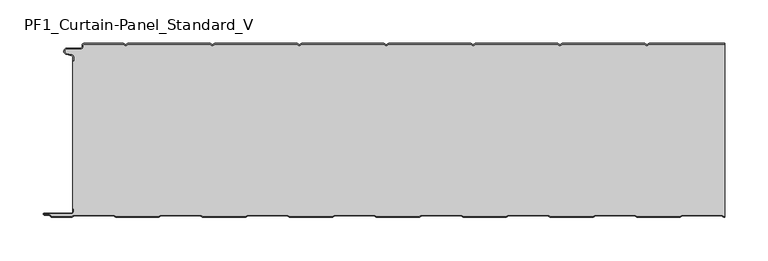
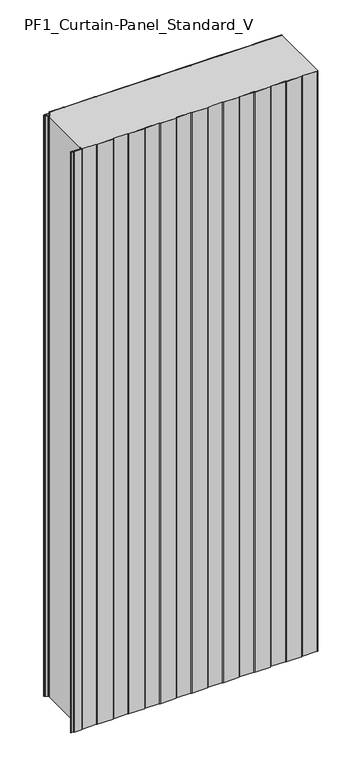
"""IFC4 building model written with IfcOpenShell, lengths in millimetres: plate geometry, PF1_Curtain-Panel_Standard_V."""

from ifc_helpers import new_model, si_unit, point, frame_2d, origin, origin_with_axes, place, context, project, spatial, polyline, circle_curve, trimmed, segment, composite_curve, outline, extrude, source, transform, mapped, element, save


def pf1_curtain_panel_standard_v_a8a6caed(model_context):
    return source(origin(), model_context, "Body", "SweptSolid", [
        extrude(outline(composite_curve([segment(trimmed(circle_curve(frame_2d((-377.0119739, -15.878557)), 2.0), [point((-375.0119739, -15.878557))], [point((-376.5620718, -13.9298169))], True, "CARTESIAN"), True, "CONTINUOUS"), segment(polyline([(-376.5620718, -13.9298169), (-382.7217978, -12.507732)]), True, "CONTINUOUS"), segment(trimmed(circle_curve(frame_2d((-381.9119739, -9.0)), 3.6), [point((-382.7217978, -12.507732))], [point((-381.9119739, -5.4))], False, "CARTESIAN"), True, "CONTINUOUS"), segment(polyline([(-381.9119739, -5.4), (-366.4119739, -5.4)]), True, "CONTINUOUS"), segment(trimmed(circle_curve(frame_2d((-366.4119739, -3.4)), 2.0), [point((-366.4119739, -5.4))], [point((-364.4119739, -3.4))], True, "CARTESIAN"), True, "CONTINUOUS"), segment(polyline([(-364.4119739, -3.4), (-364.4119739, -2.0)]), True, "CONTINUOUS"), segment(trimmed(circle_curve(frame_2d((-362.4119739, -2.0)), 2.0), [point((-364.4119739, -2.0))], [point((-362.4119739, 0.0))], False, "CARTESIAN"), True, "CONTINUOUS"), segment(polyline([(-362.4119739, 0.0), (-317.1119734, 0.0), (-314.4119739, -1.5588455), (-311.7119745, 0.0), (-217.1119734, 0.0), (-214.4119739, -1.5588455), (-211.7119745, 0.0), (-117.1119734, 0.0), (-114.4119739, -1.5588455), (-111.7119745, 0.0), (-17.1119734, 0.0), (-14.4119739, -1.5588455), (-11.7119745, 0.0), (82.8880266, 0.0), (85.5880261, -1.5588455), (88.2880255, 0.0), (182.8880266, 0.0), (185.5880261, -1.5588455), (188.2880255, 0.0), (282.8880266, 0.0), (285.5880261, -1.5588455), (288.2880255, 0.0), (375.0119739, 0.0), (375.0119739, -0.8), (288.5023849, -0.8), (285.5880261, -2.482606), (282.6736672, -0.8), (188.5023849, -0.8), (185.5880261, -2.482606), (182.6736672, -0.8), (88.5023849, -0.8), (85.5880261, -2.482606), (82.6736672, -0.8), (-11.4976151, -0.8), (-14.4119739, -2.482606), (-17.3263328, -0.8), (-111.4976151, -0.8), (-114.4119739, -2.482606), (-117.3263328, -0.8), (-211.4976151, -0.8), (-214.4119739, -2.482606), (-217.3263328, -0.8), (-311.4976151, -0.8), (-314.4119739, -2.482606), (-317.3263328, -0.8), (-362.4119739, -0.8)]), True, "CONTINUOUS"), segment(trimmed(circle_curve(frame_2d((-362.4119739, -2.0)), 1.2), [point((-362.4119739, -0.8))], [point((-363.6119739, -2.0))], True, "CARTESIAN"), True, "CONTINUOUS"), segment(polyline([(-363.6119739, -2.0), (-363.6119739, -3.4)]), True, "CONTINUOUS"), segment(trimmed(circle_curve(frame_2d((-366.4119739, -3.4)), 2.8), [point((-363.6119739, -3.4))], [point((-366.4119739, -6.2))], False, "CARTESIAN"), True, "CONTINUOUS"), segment(polyline([(-366.4119739, -6.2), (-381.9119739, -6.2)]), True, "CONTINUOUS"), segment(trimmed(circle_curve(frame_2d((-381.9119739, -9.0)), 2.8), [point((-381.9119739, -6.2))], [point((-382.541837, -11.7282362))], True, "CARTESIAN"), True, "CONTINUOUS"), segment(polyline([(-382.541837, -11.7282362), (-376.3821109, -13.150321)]), True, "CONTINUOUS"), segment(trimmed(circle_curve(frame_2d((-377.0119739, -15.878557)), 2.8), [point((-376.3821109, -13.150321))], [point((-374.2119739, -15.878557))], False, "CARTESIAN"), True, "CONTINUOUS"), segment(polyline([(-374.2119739, -15.878557), (-374.2119739, -20.0), (-375.0119739, -20.0), (-375.0119739, -15.878557)]), True, "CONTINUOUS")], self_intersect=False)), origin_with_axes(), (0.0, 0.0, 1.0), 1945.7507136),
        extrude(outline(composite_curve([segment(polyline([(-374.2119739, -190.0), (-375.0119739, -190.0), (-375.0119739, -20.0), (-374.2119739, -20.0), (-374.2119739, -15.878557)]), True, "CONTINUOUS"), segment(trimmed(circle_curve(frame_2d((-377.0119739, -15.878557)), 2.8), [point((-374.2119739, -15.878557))], [point((-376.3821109, -13.1503208))], True, "CARTESIAN"), True, "CONTINUOUS"), segment(polyline([(-376.3821109, -13.1503208), (-382.5418369, -11.7282362)]), True, "CONTINUOUS"), segment(trimmed(circle_curve(frame_2d((-381.9119739, -9.0)), 2.8), [point((-382.5418369, -11.7282362))], [point((-381.9119739, -6.2))], False, "CARTESIAN"), True, "CONTINUOUS"), segment(polyline([(-381.9119739, -6.2), (-366.4119739, -6.2)]), True, "CONTINUOUS"), segment(trimmed(circle_curve(frame_2d((-366.4119739, -3.4)), 2.8), [point((-366.4119739, -6.2))], [point((-363.6119739, -3.4))], True, "CARTESIAN"), True, "CONTINUOUS"), segment(polyline([(-363.6119739, -3.4), (-363.6119739, -2.0)]), True, "CONTINUOUS"), segment(trimmed(circle_curve(frame_2d((-362.4119739, -2.0)), 1.2), [point((-363.6119739, -2.0))], [point((-362.4119739, -0.8))], False, "CARTESIAN"), True, "CONTINUOUS"), segment(polyline([(-362.4119739, -0.8), (-317.3263328, -0.8), (-314.4119739, -2.482606), (-311.4976151, -0.8), (-217.3263328, -0.8), (-214.4119739, -2.482606), (-211.4976151, -0.8), (-117.3263328, -0.8), (-114.4119739, -2.482606), (-111.4976151, -0.8), (-17.3263328, -0.8), (-14.4119739, -2.482606), (-11.4976151, -0.8), (82.6736672, -0.8), (85.5880261, -2.482606), (88.5023849, -0.8), (182.6736672, -0.8), (185.5880261, -2.482606), (188.5023849, -0.8), (282.6736672, -0.8), (285.5880261, -2.482606), (288.5023849, -0.8), (375.0119739, -0.8), (375.0119739, -199.2), (374.2032822, -199.2), (371.6052046, -197.7), (326.3764885, -197.7), (323.7784109, -199.2), (274.2032822, -199.2), (271.6052046, -197.7), (226.3764885, -197.7), (223.7784109, -199.2), (174.2032822, -199.2), (171.6052046, -197.7), (126.3764885, -197.7), (123.7784109, -199.2), (74.2032822, -199.2), (71.6052046, -197.7), (26.3764885, -197.7), (23.7784109, -199.2), (-25.7967178, -199.2), (-28.3947954, -197.7), (-73.6235115, -197.7), (-76.2215891, -199.2), (-125.7967178, -199.2), (-128.3947954, -197.7), (-173.6235115, -197.7), (-176.2215891, -199.2), (-225.7967178, -199.2), (-228.3947954, -197.7), (-273.6235115, -197.7), (-276.2215891, -199.2), (-325.7967178, -199.2), (-328.3947954, -197.7), (-373.6235115, -197.7), (-376.2215891, -199.2), (-399.4119739, -199.2)]), True, "CONTINUOUS"), segment(trimmed(circle_curve(frame_2d((-399.4119739, -198.4)), 0.8), [point((-399.4119739, -199.2))], [point((-400.2119739, -198.4))], False, "CARTESIAN"), True, "CONTINUOUS"), segment(trimmed(circle_curve(frame_2d((-401.9119739, -198.6133333)), 1.7133333), [point((-400.2119739, -198.4))], [point((-401.9119739, -196.9))], True, "CARTESIAN"), True, "CONTINUOUS"), segment(polyline([(-401.9119739, -196.9), (-407.8820051, -196.9)]), True, "CONTINUOUS"), segment(trimmed(circle_curve(frame_2d((-407.8820051, -196.6)), 0.3), [point((-407.8820051, -196.9))], [point((-407.8820051, -196.3))], False, "CARTESIAN"), True, "CONTINUOUS"), segment(polyline([(-407.8820051, -196.3), (-377.0119739, -196.3)]), True, "CONTINUOUS"), segment(trimmed(circle_curve(frame_2d((-377.0119739, -193.5)), 2.8), [point((-377.0119739, -196.3))], [point((-374.2119739, -193.5))], True, "CARTESIAN"), True, "CONTINUOUS"), segment(polyline([(-374.2119739, -193.5), (-374.2119739, -190.0)]), True, "CONTINUOUS")], self_intersect=False)), origin_with_axes(), (0.0, 0.0, 1.0), 1945.7507136),
        extrude(outline(composite_curve([segment(polyline([(-375.0119739, -190.0), (-374.2119739, -190.0), (-374.2119739, -193.5)]), True, "CONTINUOUS"), segment(trimmed(circle_curve(frame_2d((-377.0119739, -193.5)), 2.8), [point((-374.2119739, -193.5))], [point((-377.0119739, -196.3))], False, "CARTESIAN"), True, "CONTINUOUS"), segment(polyline([(-377.0119739, -196.3), (-407.8820051, -196.3)]), True, "CONTINUOUS"), segment(trimmed(circle_curve(frame_2d((-407.8820051, -196.6)), 0.3), [point((-407.8820051, -196.3))], [point((-407.8820051, -196.9))], True, "CARTESIAN"), True, "CONTINUOUS"), segment(polyline([(-407.8820051, -196.9), (-401.9119739, -196.9)]), True, "CONTINUOUS"), segment(trimmed(circle_curve(frame_2d((-401.9119739, -198.6133333)), 1.7133333), [point((-401.9119739, -196.9))], [point((-400.2119739, -198.4))], False, "CARTESIAN"), True, "CONTINUOUS"), segment(trimmed(circle_curve(frame_2d((-399.4119739, -198.4)), 0.8), [point((-400.2119739, -198.4))], [point((-399.4119739, -199.2))], True, "CARTESIAN"), True, "CONTINUOUS"), segment(polyline([(-399.4119739, -199.2), (-376.2215891, -199.2), (-373.6235115, -197.7), (-328.3947954, -197.7), (-325.7967178, -199.2), (-276.2215891, -199.2), (-273.6235115, -197.7), (-228.3947954, -197.7), (-225.7967178, -199.2), (-176.2215891, -199.2), (-173.6235115, -197.7), (-128.3947954, -197.7), (-125.7967178, -199.2), (-76.2215891, -199.2), (-73.6235115, -197.7), (-28.3947954, -197.7), (-25.7967178, -199.2), (23.7784109, -199.2), (26.3764885, -197.7), (71.6052046, -197.7), (74.2032822, -199.2), (123.7784109, -199.2), (126.3764885, -197.7), (171.6052046, -197.7), (174.2032822, -199.2), (223.7784109, -199.2), (226.3764885, -197.7), (271.6052046, -197.7), (274.2032822, -199.2), (323.7784109, -199.2), (326.3764885, -197.7), (371.6052046, -197.7), (374.2032822, -199.2), (375.0119739, -199.2), (375.0119739, -200.0), (373.988923, -200.0), (371.3908454, -198.5), (326.5908477, -198.5), (323.9927701, -200.0), (273.988923, -200.0), (271.3908454, -198.5), (226.5908477, -198.5), (223.9927701, -200.0), (173.988923, -200.0), (171.3908454, -198.5), (126.5908477, -198.5), (123.9927701, -200.0), (73.988923, -200.0), (71.3908454, -198.5), (26.5908477, -198.5), (23.9927701, -200.0), (-26.011077, -200.0), (-28.6091546, -198.5), (-73.4091523, -198.5), (-76.0072299, -200.0), (-126.011077, -200.0), (-128.6091546, -198.5), (-173.4091523, -198.5), (-176.0072299, -200.0), (-226.011077, -200.0), (-228.6091546, -198.5), (-273.4091523, -198.5), (-276.0072299, -200.0), (-326.011077, -200.0), (-328.6091546, -198.5), (-373.4091523, -198.5), (-376.0072299, -200.0), (-399.4119739, -200.0)]), True, "CONTINUOUS"), segment(trimmed(circle_curve(frame_2d((-399.4119739, -198.4)), 1.6), [point((-399.4119739, -200.0))], [point((-401.0119739, -198.4))], False, "CARTESIAN"), True, "CONTINUOUS"), segment(trimmed(circle_curve(frame_2d((-401.9119739, -198.4)), 0.9), [point((-401.0119739, -198.4))], [point((-401.9119739, -197.5))], True, "CARTESIAN"), True, "CONTINUOUS"), segment(polyline([(-401.9119739, -197.5), (-408.0119739, -197.5)]), True, "CONTINUOUS"), segment(trimmed(circle_curve(frame_2d((-408.0119739, -196.5)), 1.0), [point((-408.0119739, -197.5))], [point((-408.0119739, -195.5))], False, "CARTESIAN"), True, "CONTINUOUS"), segment(polyline([(-408.0119739, -195.5), (-377.0119739, -195.5)]), True, "CONTINUOUS"), segment(trimmed(circle_curve(frame_2d((-377.0119739, -193.5)), 2.0), [point((-377.0119739, -195.5))], [point((-375.0119739, -193.5))], True, "CARTESIAN"), True, "CONTINUOUS"), segment(polyline([(-375.0119739, -193.5), (-375.0119739, -190.0)]), True, "CONTINUOUS")], self_intersect=False)), origin_with_axes(), (0.0, 0.0, 1.0), 1945.7507136),
    ])


if __name__ == "__main__":
    model = new_model("IFC4")
    model_context = context("Model", 3, world=origin())
    ifc_project = project(units=[si_unit("LENGTHUNIT", "METRE", prefix="MILLI")], contexts=[model_context])
    site = spatial("IfcSite", under=ifc_project)
    building = spatial("IfcBuilding", under=site)
    placement = place(None, origin())
    pf1_curtain_panel_standard_v_shape = pf1_curtain_panel_standard_v_a8a6caed(model_context)
    element("IfcPlate", 1, ObjectType="PF1_Curtain-Panel_Standard_V", at=placement, inside=building, context=model_context, shape_type="MappedRepresentation", body=[
        mapped(pf1_curtain_panel_standard_v_shape, transform((0.0, 0.0, 0.0), x_axis=(1.0, 0.0, 0.0), y_axis=(0.0, 1.0, 0.0), z_axis=(0.0, 0.0, 1.0))),
    ])
    save(model, "model.ifc")
